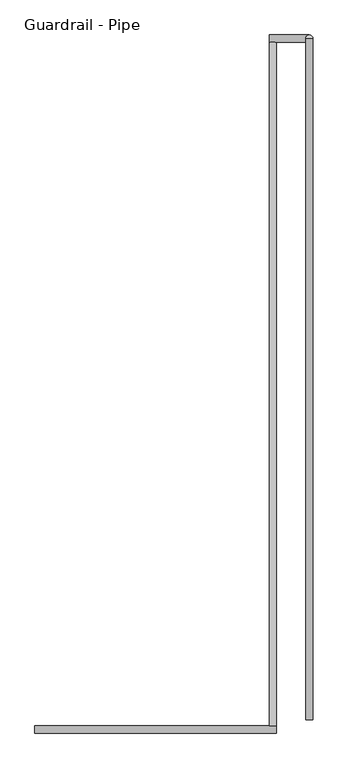
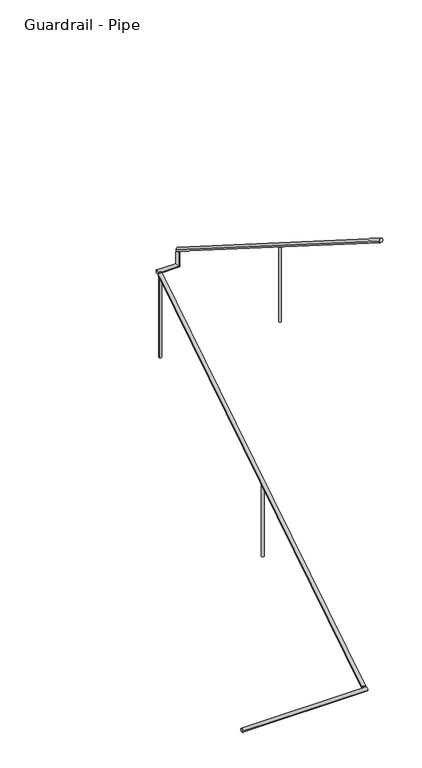
"""IFC4 building model written with IfcOpenShell, lengths in millimetres: railing geometry, Guardrail - Pipe."""

from ifc_helpers import new_model, si_unit, frame, origin, place, context, project, spatial, circle_curve, ellipse_curve, source, transform, mapped, element, save
from ifc_brep_helpers import plane_surface, cylinder_surface, advanced_brep


def guardrail_pipe_2b689c2e(model_context):
    return source(origin(), model_context, "Body", "AdvancedBrep", [
        advanced_brep(
        [(575184.3754676, -284233.1580223, 896.2158407), (575222.4754676, -284233.1580223, 896.2158407), (575184.3754676, -280588.2580223, 3203.4252683), (575222.4754676, -280588.2580223, 3203.4252683)],
        [
            (0, 1, ellipse_curve(frame((575203.4254676, -284233.1580223, 896.2158407), z_axis=(0.0, -1.0, 0.0), x_axis=(0.0, 0.0, -1.0)), 22.5457755, 19.05)),
            (1, 0, ellipse_curve(frame((575203.4254676, -284233.1580223, 896.2158407), z_axis=(0.0, -1.0, 0.0), x_axis=(0.0, 0.0, -1.0)), 22.5457755, 19.05)),
            (2, 3, ellipse_curve(frame((575203.4254676, -280588.2580223, 3203.4252683), z_axis=(0.0, 1.0, 0.0), x_axis=(0.0, 0.0, -1.0)), 22.5457755, 19.05)),
            (3, 2, ellipse_curve(frame((575203.4254676, -280588.2580223, 3203.4252683), z_axis=(0.0, 1.0, 0.0), x_axis=(0.0, 0.0, -1.0)), 22.5457755, 19.05)),
            (1, 3),
            (2, 0),
        ],
        [
            plane_surface(frame((575203.4254676, -284233.1580223, 918.7616162), z_axis=(0.0, -1.0, 0.0), x_axis=(0.0, 0.0, 1.0))),
            plane_surface(frame((575203.4254676, -280588.2580223, 3225.9710438), z_axis=(0.0, 1.0, 0.0), x_axis=(0.0, 0.0, 1.0))),
            cylinder_surface(frame((575203.4254676, -284222.9691486, 902.6653635), z_axis=(0.0, -0.8449476488296453, -0.534849016767587), x_axis=(1.0, 0.0, 0.0)), 19.05),
        ],
        [
            (0, [[1, 2]]),
            (1, [[3, 4]]),
            (2, [[-2, 5, -3, 6]]),
            (2, [[-1, -6, -4, -5]]),
        ],
    ),
        advanced_brep(
        [(575184.3754676, -280550.1580223, 3218.9796296), (575184.3754676, -280588.2580223, 3218.9796296), (575397.9457983, -280588.2580223, 3218.9796296), (575397.9457983, -280550.1580223, 3218.9796296), (575397.9457983, -280550.1580223, 3357.738752), (575397.9457983, -280588.2580223, 3381.8559237)],
        [
            (0, 1, circle_curve(frame((575184.3754676, -280569.2080223, 3218.9796296), z_axis=(-1.0, 0.0, 0.0), x_axis=(0.0, -1.0, 0.0)), 19.05)),
            (1, 0, circle_curve(frame((575184.3754676, -280569.2080223, 3218.9796296), z_axis=(-1.0, 0.0, 0.0), x_axis=(0.0, -1.0, 0.0)), 19.05)),
            (1, 2),
            (2, 3, ellipse_curve(frame((575397.9457983, -280569.2080223, 3218.9796296), z_axis=(-0.7071067811865475, 0.0, -0.7071067811865475), x_axis=(-0.7071067811865476, 0.0, 0.7071067811865474)), 26.9407684, 19.05)),
            (3, 0),
            (3, 2, ellipse_curve(frame((575397.9457983, -280569.2080223, 3218.9796296), z_axis=(-0.7071067811865475, 0.0, -0.7071067811865475), x_axis=(-0.7071067811865476, 0.0, 0.7071067811865474)), 26.9407684, 19.05)),
            (4, 5, ellipse_curve(frame((575397.9457983, -280569.2080223, 3369.7973379), z_axis=(0.0, 0.5348490167675869, 0.8449476488296452), x_axis=(0.0, 0.8449476488296452, -0.5348490167675869)), 22.5457755, 19.05)),
            (5, 4, ellipse_curve(frame((575397.9457983, -280569.2080223, 3369.7973379), z_axis=(0.0, 0.5348490167675869, 0.8449476488296452), x_axis=(0.0, 0.8449476488296452, -0.5348490167675869)), 22.5457755, 19.05)),
            (2, 5),
            (4, 3),
        ],
        [
            plane_surface(frame((575184.3754676, -280569.2080223, 3238.0296296), z_axis=(-1.0, 0.0, 0.0), x_axis=(0.0, 1.0, 0.0))),
            cylinder_surface(frame((575184.3754676, -280569.2080223, 3218.9796296), z_axis=(-1.0, 0.0, 0.0), x_axis=(0.0, -1.0, 0.0)), 19.05),
            plane_surface(frame((575378.8957983, -280569.2080223, 3369.7973379), z_axis=(0.0, 0.5348490167675869, 0.8449476488296452), x_axis=(1.0, 0.0, 0.0))),
            cylinder_surface(frame((575397.9457983, -280569.2080223, 3238.0296296), z_axis=(0.0, 0.0, -1.0), x_axis=(0.0, -1.0, 0.0)), 19.05),
        ],
        [
            (0, [[1, 2]]),
            (1, [[-2, 3, 4, 5]]),
            (1, [[-1, -5, 6, -3]]),
            (2, [[7, 8]]),
            (3, [[-4, 9, -7, 10]]),
            (3, [[-6, -10, -8, -9]]),
        ],
    ),
        advanced_brep(
        [(575416.9957983, -280569.2080223, 3392.3431134), (575378.8957983, -280569.2080223, 3392.3431134), (575416.9957983, -284201.4080223, 5691.5134838), (575378.8957983, -284201.4080223, 5691.5134838)],
        [
            (0, 1, ellipse_curve(frame((575397.9457983, -280569.2080223, 3392.3431134), z_axis=(0.0, 1.0, 0.0), x_axis=(0.0, 0.0, -1.0)), 22.5457755, 19.05)),
            (1, 0, ellipse_curve(frame((575397.9457983, -280569.2080223, 3392.3431134), z_axis=(0.0, 1.0, 0.0), x_axis=(0.0, 0.0, -1.0)), 22.5457755, 19.05)),
            (2, 3, ellipse_curve(frame((575397.9457983, -284201.4080223, 5691.5134838), z_axis=(0.0, -1.0, 0.0), x_axis=(0.0, 0.0, -1.0)), 22.5457755, 19.05)),
            (3, 2, ellipse_curve(frame((575397.9457983, -284201.4080223, 5691.5134838), z_axis=(0.0, -1.0, 0.0), x_axis=(0.0, 0.0, -1.0)), 22.5457755, 19.05)),
            (1, 3),
            (2, 0),
        ],
        [
            plane_surface(frame((575397.9457983, -280569.2080223, 3414.8888889), z_axis=(0.0, 1.0, 0.0), x_axis=(0.0, 0.0, -1.0))),
            plane_surface(frame((575397.9457983, -284201.4080223, 5714.0592593), z_axis=(0.0, -1.0, 0.0), x_axis=(0.0, 0.0, -1.0))),
            cylinder_surface(frame((575397.9457983, -280579.3968961, 3398.7926362), z_axis=(0.0, 0.8449476488296452, -0.5348490167675869), x_axis=(-1.0, 0.0, 0.0)), 19.05),
        ],
        [
            (0, [[1, 2]]),
            (1, [[3, 4]]),
            (2, [[-2, 5, -3, 6]]),
            (2, [[-1, -6, -4, -5]]),
        ],
    ),
        advanced_brep(
        [(573933.4254676, -284233.1580223, 887.6530303), (573933.4254676, -284271.2580223, 887.6530303), (575222.4754676, -284233.1580223, 887.6530303), (575222.4754676, -284271.2580223, 887.6530303)],
        [
            (0, 1, circle_curve(frame((573933.4254676, -284252.2080223, 887.6530303), z_axis=(-1.0, 0.0, 0.0), x_axis=(0.0, -1.0, 0.0)), 19.05)),
            (1, 0, circle_curve(frame((573933.4254676, -284252.2080223, 887.6530303), z_axis=(-1.0, 0.0, 0.0), x_axis=(0.0, -1.0, 0.0)), 19.05)),
            (2, 3, circle_curve(frame((575222.4754676, -284252.2080223, 887.6530303), z_axis=(1.0, 0.0, 0.0), x_axis=(0.0, -1.0, 0.0)), 19.05)),
            (3, 2, circle_curve(frame((575222.4754676, -284252.2080223, 887.6530303), z_axis=(1.0, 0.0, 0.0), x_axis=(0.0, -1.0, 0.0)), 19.05)),
            (1, 3),
            (2, 0),
        ],
        [
            plane_surface(frame((573933.4254676, -284252.2080223, 906.7030303), z_axis=(-1.0, 0.0, 0.0), x_axis=(0.0, 1.0, 0.0))),
            plane_surface(frame((575222.4754676, -284252.2080223, 906.7030303), z_axis=(1.0, 0.0, 0.0), x_axis=(0.0, 1.0, 0.0))),
            cylinder_surface(frame((573933.4254676, -284252.2080223, 887.6530303), z_axis=(-1.0, 0.0, 0.0), x_axis=(0.0, -1.0, 0.0)), 19.05),
        ],
        [
            (0, [[1, 2]]),
            (1, [[3, 4]]),
            (2, [[-2, 5, -3, 6]]),
            (2, [[-1, -6, -4, -5]]),
        ],
    ),
        advanced_brep(
        [(575385.2457983, -282398.0080223, 4527.4215803), (575385.2457983, -282398.0080223, 3714.0444444), (575410.6457983, -282398.0080223, 3714.0444444), (575410.6457983, -282398.0080223, 4527.4215803)],
        [
            (0, 1),
            (1, 2, circle_curve(frame((575397.9457983, -282398.0080223, 3714.0444444), z_axis=(0.0, 0.0, 1.0), x_axis=(1.0, 0.0, 0.0)), 12.7)),
            (2, 3),
            (3, 0, ellipse_curve(frame((575397.9457983, -282398.0080223, 4527.4215803), z_axis=(0.0, -0.5348490167675828, -0.844947648829648), x_axis=(0.0, -0.8449476488296481, 0.5348490167675825)), 15.030517, 12.7)),
            (0, 3, ellipse_curve(frame((575397.9457983, -282398.0080223, 4527.4215803), z_axis=(0.0, -0.5348490167675828, -0.844947648829648), x_axis=(0.0, -0.8449476488296481, 0.5348490167675825)), 15.030517, 12.7)),
            (2, 1, circle_curve(frame((575397.9457983, -282398.0080223, 3714.0444444), z_axis=(0.0, 0.0, 1.0), x_axis=(1.0, 0.0, 0.0)), 12.7)),
        ],
        [
            cylinder_surface(frame((575397.9457983, -282398.0080223, 3485.4444444), z_axis=(0.0, 0.0, 1.0), x_axis=(1.0, 0.0, 0.0)), 12.7),
            plane_surface(frame((575423.3457983, -282423.4080223, 4543.4996948), z_axis=(0.0, 0.5348490167675828, 0.844947648829648), x_axis=(-1.0, 0.0, 0.0))),
            plane_surface(frame((575423.3457983, -282372.6080223, 3714.0444444), z_axis=(0.0, 0.0, -1.0), x_axis=(-1.0, 0.0, 0.0))),
        ],
        [
            (0, [[1, 2, 3, 4]]),
            (0, [[-1, 5, -3, 6]]),
            (1, [[-4, -5]]),
            (2, [[-2, -6]]),
        ],
    ),
        advanced_brep(
        [(575216.1254676, -280594.6080223, 3176.8599642), (575216.1254676, -280594.6080223, 2299.1703704), (575190.7254676, -280594.6080223, 2299.1703704), (575190.7254676, -280594.6080223, 3176.8599642)],
        [
            (0, 1),
            (1, 2, circle_curve(frame((575203.4254676, -280594.6080223, 2299.1703704), z_axis=(0.0, 0.0, 1.0), x_axis=(-1.0, 0.0, 0.0)), 12.7)),
            (2, 3),
            (3, 0, ellipse_curve(frame((575203.4254676, -280594.6080223, 3176.8599642), z_axis=(0.0, 0.5348490167675843, -0.8449476488296469), x_axis=(0.0, 0.8449476488296469, 0.5348490167675843)), 15.030517, 12.7)),
            (0, 3, ellipse_curve(frame((575203.4254676, -280594.6080223, 3176.8599642), z_axis=(0.0, 0.5348490167675843, -0.8449476488296469), x_axis=(0.0, 0.8449476488296469, 0.5348490167675843)), 15.030517, 12.7)),
            (2, 1, circle_curve(frame((575203.4254676, -280594.6080223, 2299.1703704), z_axis=(0.0, 0.0, 1.0), x_axis=(-1.0, 0.0, 0.0)), 12.7)),
        ],
        [
            cylinder_surface(frame((575203.4254676, -280594.6080223, 2070.5703704), z_axis=(0.0, 0.0, 1.0), x_axis=(-1.0, 0.0, 0.0)), 12.7),
            plane_surface(frame((575178.0254676, -280569.2080223, 3192.9380786), z_axis=(0.0, -0.5348490167675843, 0.8449476488296469), x_axis=(1.0, 0.0, 0.0))),
            plane_surface(frame((575178.0254676, -280620.0080223, 2299.1703704), z_axis=(0.0, 0.0, -1.0), x_axis=(1.0, 0.0, 0.0))),
        ],
        [
            (0, [[1, 2, 3, 4]]),
            (0, [[-1, 5, -3, 6]]),
            (1, [[-4, -5]]),
            (2, [[-2, -6]]),
        ],
    ),
        advanced_brep(
        [(575216.1254676, -282423.4080223, 2019.2357217), (575216.1254676, -282423.4080223, 1238.0148148), (575190.7254676, -282423.4080223, 1238.0148148), (575190.7254676, -282423.4080223, 2019.2357217)],
        [
            (0, 1),
            (1, 2, circle_curve(frame((575203.4254676, -282423.4080223, 1238.0148148), z_axis=(0.0, 0.0, 1.0), x_axis=(-1.0, 0.0, 0.0)), 12.7)),
            (2, 3),
            (3, 0, ellipse_curve(frame((575203.4254676, -282423.4080223, 2019.2357217), z_axis=(0.0, 0.5348490167675843, -0.8449476488296469), x_axis=(0.0, 0.8449476488296469, 0.5348490167675843)), 15.030517, 12.7)),
            (0, 3, ellipse_curve(frame((575203.4254676, -282423.4080223, 2019.2357217), z_axis=(0.0, 0.5348490167675843, -0.8449476488296469), x_axis=(0.0, 0.8449476488296469, 0.5348490167675843)), 15.030517, 12.7)),
            (2, 1, circle_curve(frame((575203.4254676, -282423.4080223, 1238.0148148), z_axis=(0.0, 0.0, 1.0), x_axis=(-1.0, 0.0, 0.0)), 12.7)),
        ],
        [
            cylinder_surface(frame((575203.4254676, -282423.4080223, 1009.4148148), z_axis=(0.0, 0.0, 1.0), x_axis=(-1.0, 0.0, 0.0)), 12.7),
            plane_surface(frame((575178.0254676, -282398.0080223, 2035.3138362), z_axis=(0.0, -0.5348490167675843, 0.8449476488296469), x_axis=(1.0, 0.0, 0.0))),
            plane_surface(frame((575178.0254676, -282448.8080223, 1238.0148148), z_axis=(0.0, 0.0, -1.0), x_axis=(1.0, 0.0, 0.0))),
        ],
        [
            (0, [[1, 2, 3, 4]]),
            (0, [[-1, 5, -3, 6]]),
            (1, [[-4, -5]]),
            (2, [[-2, -6]]),
        ],
    ),
    ])


if __name__ == "__main__":
    model = new_model("IFC4")
    model_context = context("Model", 3, world=origin())
    ifc_project = project(units=[si_unit("LENGTHUNIT", "METRE", prefix="MILLI")], contexts=[model_context])
    site = spatial("IfcSite", under=ifc_project)
    building = spatial("IfcBuilding", under=site)
    placement = place(None, origin())
    guardrail_pipe_shape = guardrail_pipe_2b689c2e(model_context)
    element("IfcRailing", 1, ObjectType="Guardrail - Pipe", at=placement, inside=building, context=model_context, shape_type="MappedRepresentation", body=[
        mapped(guardrail_pipe_shape, transform((0.0, 0.0, 0.0), x_axis=(1.0, 0.0, 0.0), y_axis=(0.0, 1.0, 0.0), z_axis=(0.0, 0.0, 1.0))),
    ])
    save(model, "model.ifc")
